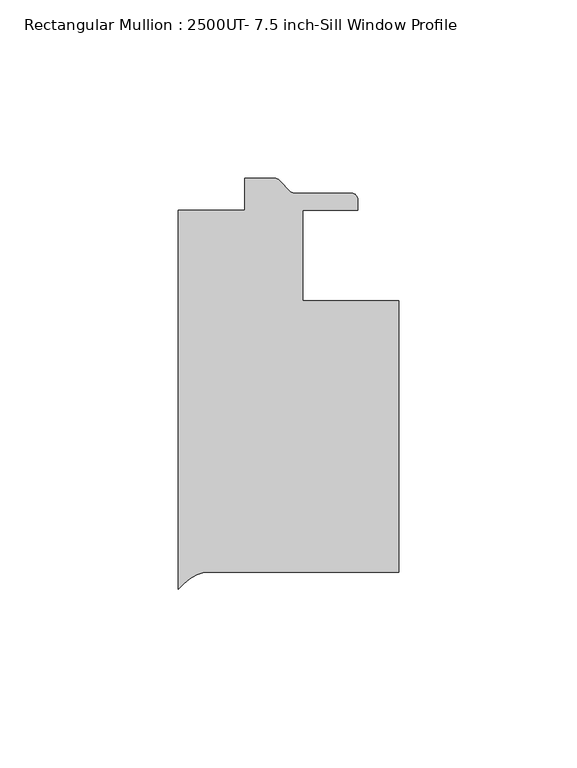
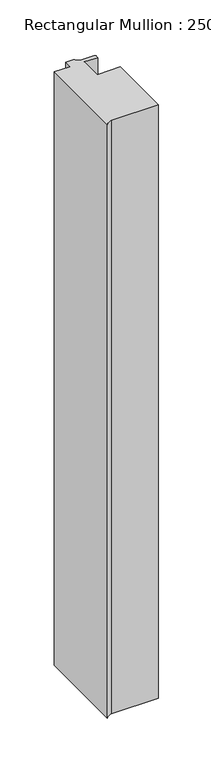
"""IFC4 building model written with IfcOpenShell, lengths in millimetres: member geometry, Rectangular Mullion : 2500UT- 7.5 inch-Sill Window Profile."""

from ifc_helpers import new_model, si_unit, point, frame, frame_2d, origin, place, context, project, spatial, polyline, circle_curve, trimmed, segment, composite_curve, outline, extrude, source, transform, mapped, element, save


def rectangular_mullion_2500ut_7_5_inch_sill_window_profile_d762baf7(model_context):
    return source(origin(), model_context, "Body", "SweptSolid", [
        extrude(outline(composite_curve([segment(polyline([(61.9185108, -88.9365125), (7.2985234, -88.9365125)]), True, "CONTINUOUS"), segment(trimmed(circle_curve(frame_2d((10.8256925, -102.1673261)), 13.6928942), [point((7.2985234, -88.9365125))], [point((0.0, -93.7828325))], True, "CARTESIAN"), True, "CONTINUOUS"), segment(polyline([(0.0, -93.7828325), (0.0, 12.6642815), (18.6821604, 12.6642815), (18.6821604, 21.6296875), (27.0459809, 21.6296875)]), True, "CONTINUOUS"), segment(trimmed(circle_curve(frame_2d((27.0459809, 19.8516875)), 1.778), [point((27.0459809, 21.6296875))], [point((28.3032167, 21.1089234))], False, "CARTESIAN"), True, "CONTINUOUS"), segment(polyline([(28.3032167, 21.1089234), (31.5288884, 17.8832516)]), True, "CONTINUOUS"), segment(trimmed(circle_curve(frame_2d((32.7861243, 19.1404875)), 1.778), [point((31.5288884, 17.8832516))], [point((32.7861243, 17.3624875))], True, "CARTESIAN"), True, "CONTINUOUS"), segment(polyline([(32.7861243, 17.3624875), (48.6541604, 17.3624875)]), True, "CONTINUOUS"), segment(trimmed(circle_curve(frame_2d((48.6541604, 15.5844875)), 1.778), [point((48.6541604, 17.3624875))], [point((50.4321604, 15.5844875))], False, "CARTESIAN"), True, "CONTINUOUS"), segment(polyline([(50.4321604, 15.5844875), (50.4321604, 12.6634874), (34.9310114, 12.6634874), (34.9310114, -12.7365125), (61.9185108, -12.7365125), (61.9185108, -88.9365125)]), True, "CONTINUOUS")], self_intersect=False)), frame((0.0, 0.0, -727.0824167), z_axis=(0.0, 0.0, 1.0), x_axis=(1.0, 0.0, 0.0)), (0.0, 0.0, 1.0), 727.0824167),
    ])


if __name__ == "__main__":
    model = new_model("IFC4")
    model_context = context("Model", 3, world=origin())
    ifc_project = project(units=[si_unit("LENGTHUNIT", "METRE", prefix="MILLI")], contexts=[model_context])
    site = spatial("IfcSite", under=ifc_project)
    building = spatial("IfcBuilding", under=site)
    placement = place(None, origin())
    rectangular_mullion_2500ut_7_5_inch_sill_window_profile_shape = rectangular_mullion_2500ut_7_5_inch_sill_window_profile_d762baf7(model_context)
    element("IfcMember", 1, ObjectType="Rectangular Mullion : 2500UT- 7.5 inch-Sill Window Profile", at=placement, inside=building, context=model_context, shape_type="MappedRepresentation", body=[
        mapped(rectangular_mullion_2500ut_7_5_inch_sill_window_profile_shape, transform((0.0, 0.0, 0.0), x_axis=(1.0, 0.0, 0.0), y_axis=(0.0, 1.0, 0.0), z_axis=(0.0, 0.0, 1.0))),
    ])
    save(model, "model.ifc")
